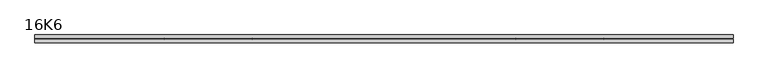
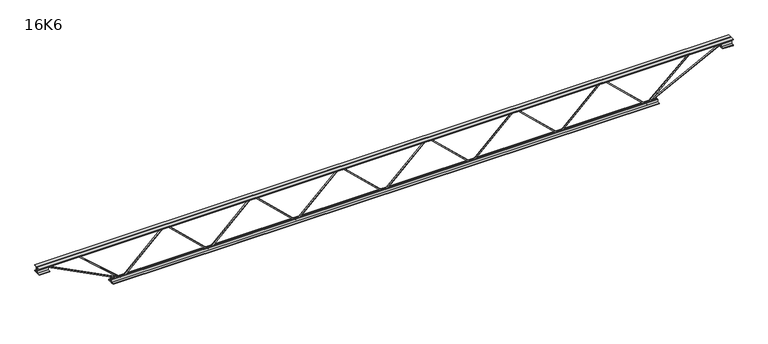
"""IFC4 building model written with IfcOpenShell, lengths in millimetres: beam geometry, 16K6."""

from ifc_helpers import new_model, si_unit, frame, origin, place, context, project, spatial, polyline, outline, extrude, source, transform, mapped, element, save


def beam_16k6_cae55fc8(model_context):
    return source(origin(), model_context, "Body", "SweptSolid", [
        extrude(outline(polyline([(-191.9, 841.5), (-201.4, 841.5), (-201.4, 846.5702294), (191.9, 1260.9702294), (191.9, 1263.5297706), (-201.4, 1677.9297706), (-201.4, 1683.0), (-191.9, 1683.0), (-191.9, 1681.7202294), (201.4, 1267.3202294), (201.4, 1257.1797706), (-191.9, 842.7797706), (-191.9, 841.5)])), frame((0.0, -4.75, 0.0), z_axis=(0.0, 1.0, 0.0), x_axis=(0.0, 0.0, 1.0)), (0.0, 0.0, 1.0), 9.5),
        extrude(outline(polyline([(-191.9, 0.0), (-201.4, 0.0), (-201.4, 5.0702294), (191.9, 419.4702294), (191.9, 422.0297706), (-201.4, 836.4297706), (-201.4, 841.5), (-191.9, 841.5), (-191.9, 840.2202294), (201.4, 425.8202294), (201.4, 415.6797706), (-191.9, 1.2797706), (-191.9, 0.0)])), frame((0.0, -4.75, 0.0), z_axis=(0.0, 1.0, 0.0), x_axis=(0.0, 0.0, 1.0)), (0.0, 0.0, 1.0), 9.5),
        extrude(outline(polyline([(-191.9, -841.5), (-201.4, -841.5), (-201.4, -836.4297706), (191.9, -422.0297706), (191.9, -419.4702294), (-201.4, -5.0702294), (-201.4, 0.0), (-191.9, 0.0), (-191.9, -1.2797706), (201.4, -415.6797706), (201.4, -425.8202294), (-191.9, -840.2202294), (-191.9, -841.5)])), frame((0.0, -4.75, 0.0), z_axis=(0.0, 1.0, 0.0), x_axis=(0.0, 0.0, 1.0)), (0.0, 0.0, 1.0), 9.5),
        extrude(outline(polyline([(-191.9, -1683.0), (-201.4, -1683.0), (-201.4, -1677.9297706), (191.9, -1263.5297706), (191.9, -1260.9702294), (-201.4, -846.5702294), (-201.4, -841.5), (-191.9, -841.5), (-191.9, -842.7797706), (201.4, -1257.1797706), (201.4, -1267.3202294), (-191.9, -1681.7202294), (-191.9, -1683.0)])), frame((0.0, -4.75, 0.0), z_axis=(0.0, 1.0, 0.0), x_axis=(0.0, 0.0, 1.0)), (0.0, 0.0, 1.0), 9.5),
        extrude(outline(polyline([(-191.9, 1683.0), (-201.4, 1683.0), (-201.4, 1688.0702294), (191.9, 2102.4702294), (191.9, 2105.0297706), (-201.4, 2519.4297706), (-201.4, 2524.5), (-191.9, 2524.5), (-191.9, 2523.2202294), (201.4, 2108.8202294), (201.4, 2098.6797706), (-191.9, 1684.2797706), (-191.9, 1683.0)])), frame((0.0, -4.75, 0.0), z_axis=(0.0, 1.0, 0.0), x_axis=(0.0, 0.0, 1.0)), (0.0, 0.0, 1.0), 9.5),
        extrude(outline(polyline([(-191.9, -2524.5), (-201.4, -2524.5), (-201.4, -2519.4297706), (191.9, -2105.0297706), (191.9, -2102.4702294), (-201.4, -1688.0702294), (-201.4, -1683.0), (-191.9, -1683.0), (-191.9, -1684.2797706), (201.4, -2098.6797706), (201.4, -2108.8202294), (-191.9, -2523.2202294), (-191.9, -2524.5)])), frame((0.0, -4.75, 0.0), z_axis=(0.0, 1.0, 0.0), x_axis=(0.0, 0.0, 1.0)), (0.0, 0.0, 1.0), 9.5),
        extrude(outline(polyline([(4.75, 203.0), (36.75, 203.0), (36.75, 196.5), (11.25, 196.5), (11.25, 171.0), (4.75, 171.0), (4.75, 203.0)])), frame((-3336.5, 0.0, 0.0), z_axis=(1.0, 0.0, 0.0), x_axis=(0.0, 1.0, 0.0)), (0.0, 0.0, 1.0), 6673.0),
        extrude(outline(polyline([(-4.75, 203.0), (-4.75, 171.0), (-11.25, 171.0), (-11.25, 196.5), (-36.75, 196.5), (-36.75, 203.0), (-4.75, 203.0)])), frame((-3336.5, 0.0, 0.0), z_axis=(1.0, 0.0, 0.0), x_axis=(0.0, 1.0, 0.0)), (0.0, 0.0, 1.0), 6673.0),
        extrude(outline(polyline([(-4.75, 139.5), (-36.75, 139.5), (-36.75, 146.0), (-11.25, 146.0), (-11.25, 171.0), (-4.75, 171.0), (-4.75, 139.5)])), frame((-3336.5, 0.0, 0.0), z_axis=(1.0, 0.0, 0.0), x_axis=(0.0, 1.0, 0.0)), (0.0, 0.0, 1.0), 100.0),
        extrude(outline(polyline([(36.75, 139.5), (4.75, 139.5), (4.75, 171.0), (11.25, 171.0), (11.25, 146.0), (36.75, 146.0), (36.75, 139.5)])), frame((-3336.5, 0.0, 0.0), z_axis=(1.0, 0.0, 0.0), x_axis=(0.0, 1.0, 0.0)), (0.0, 0.0, 1.0), 100.0),
        extrude(outline(polyline([(4.75, 139.5), (4.75, 171.0), (11.25, 171.0), (11.25, 146.0), (36.75, 146.0), (36.75, 139.5), (4.75, 139.5)])), frame((3236.5, 0.0, 0.0), z_axis=(1.0, 0.0, 0.0), x_axis=(0.0, 1.0, 0.0)), (0.0, 0.0, 1.0), 100.0),
        extrude(outline(polyline([(-4.75, 139.5), (-36.75, 139.5), (-36.75, 146.0), (-11.25, 146.0), (-11.25, 171.0), (-4.75, 171.0), (-4.75, 139.5)])), frame((3236.5, 0.0, 0.0), z_axis=(1.0, 0.0, 0.0), x_axis=(0.0, 1.0, 0.0)), (0.0, 0.0, 1.0), 100.0),
        extrude(outline(polyline([(4.75, -203.0), (4.75, -171.0), (11.25, -171.0), (11.25, -196.5), (36.75, -196.5), (36.75, -203.0), (4.75, -203.0)])), frame((-2624.5, 0.0, 0.0), z_axis=(1.0, 0.0, 0.0), x_axis=(0.0, 1.0, 0.0)), (0.0, 0.0, 1.0), 5249.0),
        extrude(outline(polyline([(-4.75, -203.0), (-36.75, -203.0), (-36.75, -196.5), (-11.25, -196.5), (-11.25, -171.0), (-4.75, -171.0), (-4.75, -203.0)])), frame((-2624.5, 0.0, 0.0), z_axis=(1.0, 0.0, 0.0), x_axis=(0.0, 1.0, 0.0)), (0.0, 0.0, 1.0), 5249.0),
        extrude(outline(polyline([(-200.8705467, -2526.6793315), (-192.4294533, -2522.3206685), (175.75, -3235.3460208), (175.75, -3336.5), (166.25, -3336.5), (166.25, -3237.6539792), (-200.8705467, -2526.6793315)])), frame((0.0, -4.75, 0.0), z_axis=(0.0, 1.0, 0.0), x_axis=(0.0, 0.0, 1.0)), (0.0, 0.0, 1.0), 9.5),
        extrude(outline(polyline([(188.7, -2965.2071429), (179.2, -2965.2071429), (179.2, -2954.3136189), (-200.1995798, -2527.6564194), (-193.1004202, -2521.3435806), (188.7, -2950.7006668), (188.7, -2965.2071429)])), frame((0.0, -4.75, 0.0), z_axis=(0.0, 1.0, 0.0), x_axis=(0.0, 0.0, 1.0)), (0.0, 0.0, 1.0), 9.5),
        extrude(outline(polyline([(0.0, -9.5), (0.0, 0.0), (801.3179909, 0.0), (801.3179909, -9.5), (0.0, -9.5)])), frame((3238.6793315, -4.75, 166.7794533), z_axis=(-0.4588066213244961, 0.0, 0.8885361468329808), x_axis=(-0.8885361468329808, 0.0, -0.4588066213244961)), (0.0, 0.0, 1.0), 9.5),
        extrude(outline(polyline([(0.0, -9.5), (0.0, 0.0), (586.6343737, 0.0), (586.6343737, -9.5), (0.0, -9.5)])), frame((2962.9488502, -4.75, 193.1256491), z_axis=(-0.6704346312213949, 0.0, 0.7419686012622316), x_axis=(-0.7419686012622316, 0.0, -0.6704346312213949)), (0.0, 0.0, 1.0), 9.5),
    ])


if __name__ == "__main__":
    model = new_model("IFC4")
    model_context = context("Model", 3, world=origin())
    ifc_project = project(units=[si_unit("LENGTHUNIT", "METRE", prefix="MILLI")], contexts=[model_context])
    site = spatial("IfcSite", under=ifc_project)
    building = spatial("IfcBuilding", under=site)
    placement = place(None, origin())
    beam_16k6_shape = beam_16k6_cae55fc8(model_context)
    element("IfcBeam", 1, ObjectType="16K6", at=placement, inside=building, context=model_context, shape_type="MappedRepresentation", body=[
        mapped(beam_16k6_shape, transform((0.0, 0.0, 0.0), x_axis=(1.0, 0.0, 0.0), y_axis=(0.0, 1.0, 0.0), z_axis=(0.0, 0.0, 1.0))),
    ])
    save(model, "model.ifc")
